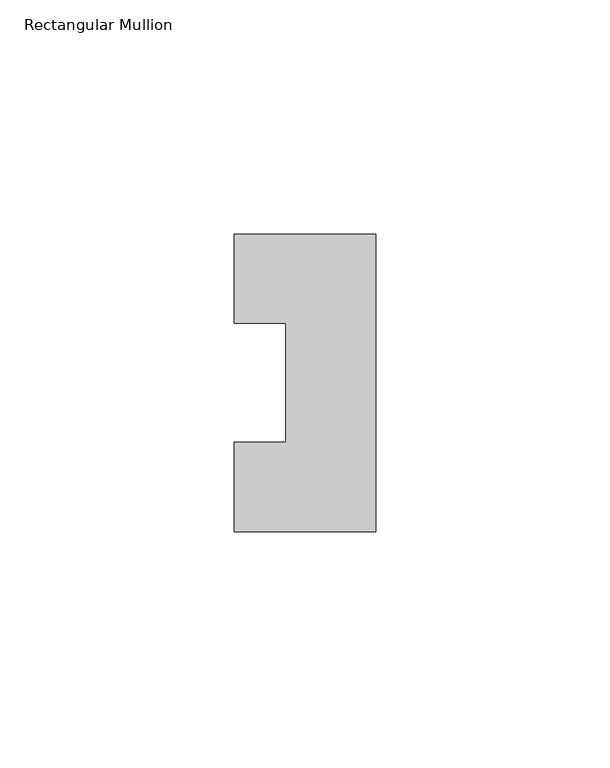
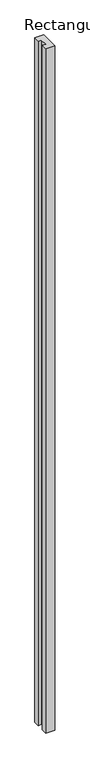
"""IFC4 building model written with IfcOpenShell, lengths in millimetres: member geometry, Rectangular Mullion."""

from ifc_helpers import new_model, si_unit, frame, origin, place, context, project, spatial, polyline, outline, extrude, source, transform, mapped, element, save


def rectangular_mullion_2fb0b858(model_context):
    return source(origin(), model_context, "Body", "SweptSolid", [
        extrude(outline(polyline([(0.0, -31.7489583), (-30.2006, -31.7489583), (-30.2006, -12.7), (-19.2381312, -12.7), (-19.2381312, 12.7), (-30.2006, 12.7), (-30.2006, 31.7489583), (0.0, 31.7489583), (0.0, -31.7489583)])), frame((0.0, 0.0, -2451.1), z_axis=(0.0, 0.0, 1.0), x_axis=(1.0, 0.0, 0.0)), (0.0, 0.0, 1.0), 2451.1),
    ])


if __name__ == "__main__":
    model = new_model("IFC4")
    model_context = context("Model", 3, world=origin())
    ifc_project = project(units=[si_unit("LENGTHUNIT", "METRE", prefix="MILLI")], contexts=[model_context])
    site = spatial("IfcSite", under=ifc_project)
    building = spatial("IfcBuilding", under=site)
    placement = place(None, origin())
    rectangular_mullion_shape = rectangular_mullion_2fb0b858(model_context)
    element("IfcMember", 1, ObjectType="Rectangular Mullion", at=placement, inside=building, context=model_context, shape_type="MappedRepresentation", body=[
        mapped(rectangular_mullion_shape, transform((0.0, 0.0, 0.0), x_axis=(1.0, 0.0, 0.0), y_axis=(0.0, 1.0, 0.0), z_axis=(0.0, 0.0, 1.0))),
    ])
    save(model, "model.ifc")
